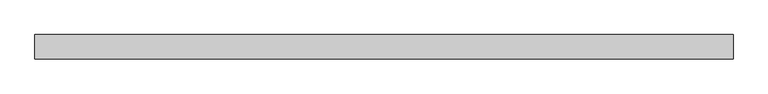
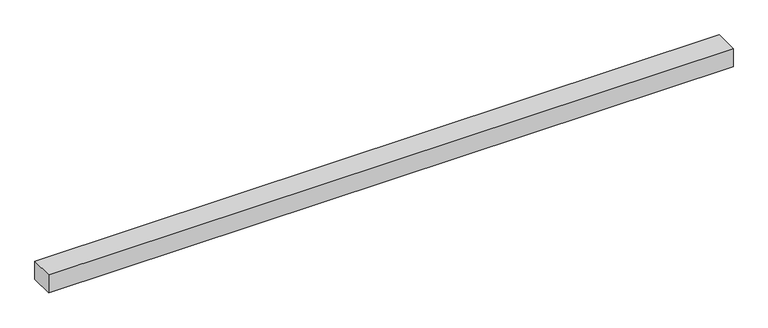
"""IFC4 building model written with IfcOpenShell, lengths in millimetres: geographic element geometry."""

import ifcopenshell
import ifcopenshell.guid

model = None  # the IFC model being written
_history = None  # IfcOwnerHistory: only IFC2X3 demands one
_inside = {}  # id of a spatial element -> (the spatial element, [elements in it])
_under = {}  # id of a project, library or spatial element -> (it, [spatial elements below it])
_declared = {}  # id of a project -> (the project, [libraries it declares])
_typed = {}  # id of a type object -> (the type object, [elements of that type])
_made_of = {}  # id of a material, layer set ... -> (it, [elements and type objects made of it])


def new_model(schema):
    """Start an empty IFC model of exactly this schema.

    Asked for "IFC4X3", IfcOpenShell would pick the latest addendum, in which some entities
    have other attributes; the version numbers below select the first issue.
    IFC2X3 requires an IfcOwnerHistory on every rooted entity: one is made here for all.
    """
    global model, _history
    if schema == "IFC4X3":
        model = ifcopenshell.file(schema_version=(4, 3, 0, 0))
    else:
        model = ifcopenshell.file(schema=schema)
    _inside.clear()
    _under.clear()
    _declared.clear()
    _typed.clear()
    _made_of.clear()
    _history = None
    if model.schema == "IFC2X3":
        org = make("IfcOrganization", Name="unknown")
        user = make(
            "IfcPersonAndOrganization",
            ThePerson=make("IfcPerson", FamilyName="unknown"),
            TheOrganization=org,
        )
        app = make(
            "IfcApplication",
            ApplicationDeveloper=org,
            Version="unknown",
            ApplicationFullName="unknown",
            ApplicationIdentifier="unknown",
        )
        _history = make(
            "IfcOwnerHistory",
            OwningUser=user,
            OwningApplication=app,
            ChangeAction="ADDED",
            CreationDate=0,
        )
    return model


def make(cls, **values):
    """One entity of the class cls with the attributes given. An attribute that is None is left unset."""
    return model.create_entity(
        cls, **{name: value for name, value in values.items() if value is not None}
    )


def rooted(cls, **values):
    """An entity with a GlobalId (a new one), such as an element, a storey or a relation."""
    return make(cls, GlobalId=ifcopenshell.guid.new(), OwnerHistory=_history, **values)


def si_unit(unit_type, name, prefix=None):
    """IfcSIUnit, for example si_unit("LENGTHUNIT", "METRE", prefix="MILLI")."""
    return make("IfcSIUnit", UnitType=unit_type, Prefix=prefix, Name=name)


def assignment(units):
    """IfcUnitAssignment: the units of a project."""
    return None if units is None else make("IfcUnitAssignment", Units=units)


def point(xyz):
    """IfcCartesianPoint."""
    return None if xyz is None else make("IfcCartesianPoint", Coordinates=xyz)


def direction(xyz):
    """IfcDirection."""
    return None if xyz is None else make("IfcDirection", DirectionRatios=xyz)


def frame(location, z_axis=None, x_axis=None):
    """IfcAxis2Placement3D, a coordinate frame: its origin and axes. An axis left out is left unset."""
    return make(
        "IfcAxis2Placement3D",
        Location=point(location),
        Axis=direction(z_axis),
        RefDirection=direction(x_axis),
    )


def origin():
    """The frame at (0, 0, 0) with its axes left unset."""
    return frame((0.0, 0.0, 0.0))


def origin_with_axes():
    """The frame at (0, 0, 0) with the z axis (0, 0, 1) and the x axis (1, 0, 0) written out."""
    return frame((0.0, 0.0, 0.0), z_axis=(0.0, 0.0, 1.0), x_axis=(1.0, 0.0, 0.0))


def place(relative_to, where):
    """IfcLocalPlacement: puts the frame where relative to a parent placement (None: the world)."""
    return make(
        "IfcLocalPlacement", PlacementRelTo=relative_to, RelativePlacement=where
    )


def context(
    kind, dimensions, precision=None, world=None, true_north=None, identifier=None
):
    """IfcGeometricRepresentationContext, for example the 3D "Model" context."""
    return make(
        "IfcGeometricRepresentationContext",
        ContextIdentifier=identifier,
        ContextType=kind,
        CoordinateSpaceDimension=dimensions,
        Precision=precision,
        WorldCoordinateSystem=world,
        TrueNorth=true_north,
    )


def project(units=None, contexts=None):
    """IfcProject with its units and contexts."""
    return rooted(
        "IfcProject",
        Name="project",
        RepresentationContexts=contexts,
        UnitsInContext=assignment(units),
    )


def spatial(cls, under=None, at=None, **own):
    """A site, building, storey or space (cls), placed at a placement, below another one or the project."""
    s = rooted(cls, ObjectPlacement=at, **own)
    if under is not None:
        _under.setdefault(under.id(), (under, []))[1].append(s)
    return s


def polyline(points):
    """IfcPolyline through the points."""
    return make("IfcPolyline", Points=[point(p) for p in points])


def outline(outer, holes=None, kind="AREA"):
    """IfcArbitraryClosedProfileDef: a profile drawn as a closed curve; with holes, ...WithVoids."""
    if holes is None:
        return make("IfcArbitraryClosedProfileDef", ProfileType=kind, OuterCurve=outer)
    return make(
        "IfcArbitraryProfileDefWithVoids",
        ProfileType=kind,
        OuterCurve=outer,
        InnerCurves=holes,
    )


def extrude(swept, where, along, depth):
    """IfcExtrudedAreaSolid: the profile swept, set in the frame where, extruded along a direction by depth."""
    return make(
        "IfcExtrudedAreaSolid",
        SweptArea=swept,
        Position=where,
        ExtrudedDirection=direction(along),
        Depth=depth,
    )


def shape(context_of_items, identifier, shape_type, items):
    """IfcShapeRepresentation: the items that make up one representation, for example the "Body"."""
    return make(
        "IfcShapeRepresentation",
        ContextOfItems=context_of_items,
        RepresentationIdentifier=identifier,
        RepresentationType=shape_type,
        Items=items,
    )


def source(mapping_origin, context_of_items, identifier, shape_type, items):
    """IfcRepresentationMap: a shape defined once, which mapped items show again and again."""
    return make(
        "IfcRepresentationMap",
        MappingOrigin=mapping_origin,
        MappedRepresentation=shape(context_of_items, identifier, shape_type, items),
    )


def transform(
    local_origin,
    x_axis=None,
    y_axis=None,
    z_axis=None,
    scale=None,
    scale2=None,
    scale3=None,
    uniform=True,
):
    """IfcCartesianTransformationOperator3D, or its non-uniform kind. x_axis, y_axis, z_axis: its Axis1, 2, 3."""
    if uniform:
        return make(
            "IfcCartesianTransformationOperator3D",
            Axis1=direction(x_axis),
            Axis2=direction(y_axis),
            LocalOrigin=point(local_origin),
            Scale=scale,
            Axis3=direction(z_axis),
        )
    return make(
        "IfcCartesianTransformationOperator3DnonUniform",
        Axis1=direction(x_axis),
        Axis2=direction(y_axis),
        LocalOrigin=point(local_origin),
        Scale=scale,
        Axis3=direction(z_axis),
        Scale2=scale2,
        Scale3=scale3,
    )


def mapped(mapping_source, mapping_target):
    """IfcMappedItem: shows the shape of a source again, moved by a transform."""
    return make(
        "IfcMappedItem", MappingSource=mapping_source, MappingTarget=mapping_target
    )


def made_of(thing, what):
    """Note that an element or type object is made of a material, layer set ...; save() writes the relation."""
    if what is not None:
        _made_of.setdefault(what.id(), (what, []))[1].append(thing)
    return thing


def element(
    cls,
    number,
    at=None,
    inside=None,
    cuts=None,
    type_object=None,
    material=None,
    context=None,
    identifier="Body",
    shape_type=None,
    held_by="IfcProductDefinitionShape",
    body=None,
    shapes=None,
    **own,
):
    """One element of the class cls, such as IfcWall. Its Tag is "e" and its number.

    at: its placement. inside: the storey or other place that contains it. cuts: it is an
    opening in that element (IfcRelVoidsElement). A single representation is given by context,
    identifier, shape_type and body (its items); several are given by shapes. held_by: the class
    of the entity that holds the representations. save() writes the other relations.
    """
    e = rooted(cls, Tag="e%d" % number, ObjectPlacement=at, **own)
    if body is not None:
        shapes = [shape(context, identifier, shape_type, body)]
    if shapes is not None:
        e.Representation = make(held_by, Representations=shapes)
    if inside is not None:
        _inside.setdefault(inside.id(), (inside, []))[1].append(e)
    if cuts is not None:
        rooted(
            "IfcRelVoidsElement", RelatingBuildingElement=cuts, RelatedOpeningElement=e
        )
    if type_object is not None:
        _typed.setdefault(type_object.id(), (type_object, []))[1].append(e)
    return made_of(e, material)


def aggregate(whole, parts):
    """IfcRelAggregates: a whole, such as a stair, and the parts it consists of."""
    return rooted("IfcRelAggregates", RelatingObject=whole, RelatedObjects=parts)


def save(model, path):
    """Write the relations noted so far, then the file.

    IfcRelAggregates (storeys below a building ...), IfcRelContainedInSpatialStructure (elements
    in a storey), IfcRelDefinesByType, IfcRelAssociatesMaterial and IfcRelDeclares: one each for
    every whole, place, type object, material and project.
    """
    for whole, parts in _under.values():
        aggregate(whole, parts)
    for where, things in _inside.values():
        rooted(
            "IfcRelContainedInSpatialStructure",
            RelatedElements=things,
            RelatingStructure=where,
        )
    for kind, things in _typed.values():
        rooted("IfcRelDefinesByType", RelatedObjects=things, RelatingType=kind)
    for what, things in _made_of.values():
        rooted("IfcRelAssociatesMaterial", RelatedObjects=things, RelatingMaterial=what)
    for by, libraries in _declared.values():
        rooted("IfcRelDeclares", RelatingContext=by, RelatedDefinitions=libraries)
    model.write(path)


def geographic_element_428e2698(model_context):
    return source(origin(), model_context, "Body", "SweptSolid", [
        extrude(outline(polyline([(0.0, 0.0), (0.0, 500.0), (14362.4375773, 500.0), (14362.4375773, 0.0), (0.0, 0.0)])), origin_with_axes(), (0.0, 0.0, 1.0), 400.0),
    ])


if __name__ == "__main__":
    model = new_model("IFC4")
    model_context = context("Model", 3, world=origin())
    ifc_project = project(units=[si_unit("LENGTHUNIT", "METRE", prefix="MILLI")], contexts=[model_context])
    site = spatial("IfcSite", under=ifc_project)
    building = spatial("IfcBuilding", under=site)
    placement = place(None, origin())
    geographic_element_shape = geographic_element_428e2698(model_context)
    element("IfcGeographicElement", 1, at=placement, inside=building, context=model_context, shape_type="MappedRepresentation", body=[
        mapped(geographic_element_shape, transform((0.0, 0.0, 0.0), x_axis=(1.0, 0.0, 0.0), y_axis=(0.0, 1.0, 0.0), z_axis=(0.0, 0.0, 1.0))),
    ])
    save(model, "model.ifc")
